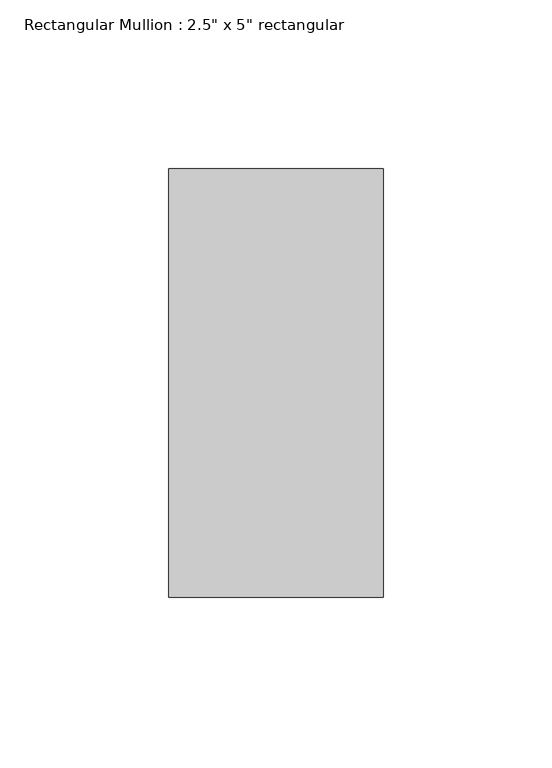
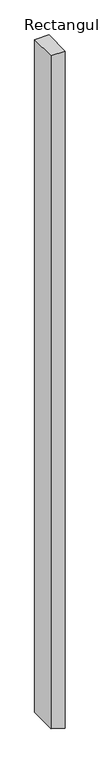
"""IFC4 building model written with IfcOpenShell, lengths in millimetres: member geometry."""

import ifcopenshell
import ifcopenshell.guid

model = None  # the IFC model being written
_history = None  # IfcOwnerHistory: only IFC2X3 demands one
_inside = {}  # id of a spatial element -> (the spatial element, [elements in it])
_under = {}  # id of a project, library or spatial element -> (it, [spatial elements below it])
_declared = {}  # id of a project -> (the project, [libraries it declares])
_typed = {}  # id of a type object -> (the type object, [elements of that type])
_made_of = {}  # id of a material, layer set ... -> (it, [elements and type objects made of it])


def new_model(schema):
    """Start an empty IFC model of exactly this schema.

    Asked for "IFC4X3", IfcOpenShell would pick the latest addendum, in which some entities
    have other attributes; the version numbers below select the first issue.
    IFC2X3 requires an IfcOwnerHistory on every rooted entity: one is made here for all.
    """
    global model, _history
    if schema == "IFC4X3":
        model = ifcopenshell.file(schema_version=(4, 3, 0, 0))
    else:
        model = ifcopenshell.file(schema=schema)
    _inside.clear()
    _under.clear()
    _declared.clear()
    _typed.clear()
    _made_of.clear()
    _history = None
    if model.schema == "IFC2X3":
        org = make("IfcOrganization", Name="unknown")
        user = make(
            "IfcPersonAndOrganization",
            ThePerson=make("IfcPerson", FamilyName="unknown"),
            TheOrganization=org,
        )
        app = make(
            "IfcApplication",
            ApplicationDeveloper=org,
            Version="unknown",
            ApplicationFullName="unknown",
            ApplicationIdentifier="unknown",
        )
        _history = make(
            "IfcOwnerHistory",
            OwningUser=user,
            OwningApplication=app,
            ChangeAction="ADDED",
            CreationDate=0,
        )
    return model


def make(cls, **values):
    """One entity of the class cls with the attributes given. An attribute that is None is left unset."""
    return model.create_entity(
        cls, **{name: value for name, value in values.items() if value is not None}
    )


def rooted(cls, **values):
    """An entity with a GlobalId (a new one), such as an element, a storey or a relation."""
    return make(cls, GlobalId=ifcopenshell.guid.new(), OwnerHistory=_history, **values)


def si_unit(unit_type, name, prefix=None):
    """IfcSIUnit, for example si_unit("LENGTHUNIT", "METRE", prefix="MILLI")."""
    return make("IfcSIUnit", UnitType=unit_type, Prefix=prefix, Name=name)


def assignment(units):
    """IfcUnitAssignment: the units of a project."""
    return None if units is None else make("IfcUnitAssignment", Units=units)


def point(xyz):
    """IfcCartesianPoint."""
    return None if xyz is None else make("IfcCartesianPoint", Coordinates=xyz)


def direction(xyz):
    """IfcDirection."""
    return None if xyz is None else make("IfcDirection", DirectionRatios=xyz)


def frame(location, z_axis=None, x_axis=None):
    """IfcAxis2Placement3D, a coordinate frame: its origin and axes. An axis left out is left unset."""
    return make(
        "IfcAxis2Placement3D",
        Location=point(location),
        Axis=direction(z_axis),
        RefDirection=direction(x_axis),
    )


def origin():
    """The frame at (0, 0, 0) with its axes left unset."""
    return frame((0.0, 0.0, 0.0))


def place(relative_to, where):
    """IfcLocalPlacement: puts the frame where relative to a parent placement (None: the world)."""
    return make(
        "IfcLocalPlacement", PlacementRelTo=relative_to, RelativePlacement=where
    )


def context(
    kind, dimensions, precision=None, world=None, true_north=None, identifier=None
):
    """IfcGeometricRepresentationContext, for example the 3D "Model" context."""
    return make(
        "IfcGeometricRepresentationContext",
        ContextIdentifier=identifier,
        ContextType=kind,
        CoordinateSpaceDimension=dimensions,
        Precision=precision,
        WorldCoordinateSystem=world,
        TrueNorth=true_north,
    )


def project(units=None, contexts=None):
    """IfcProject with its units and contexts."""
    return rooted(
        "IfcProject",
        Name="project",
        RepresentationContexts=contexts,
        UnitsInContext=assignment(units),
    )


def spatial(cls, under=None, at=None, **own):
    """A site, building, storey or space (cls), placed at a placement, below another one or the project."""
    s = rooted(cls, ObjectPlacement=at, **own)
    if under is not None:
        _under.setdefault(under.id(), (under, []))[1].append(s)
    return s


def polyline(points):
    """IfcPolyline through the points."""
    return make("IfcPolyline", Points=[point(p) for p in points])


def outline(outer, holes=None, kind="AREA"):
    """IfcArbitraryClosedProfileDef: a profile drawn as a closed curve; with holes, ...WithVoids."""
    if holes is None:
        return make("IfcArbitraryClosedProfileDef", ProfileType=kind, OuterCurve=outer)
    return make(
        "IfcArbitraryProfileDefWithVoids",
        ProfileType=kind,
        OuterCurve=outer,
        InnerCurves=holes,
    )


def extrude(swept, where, along, depth):
    """IfcExtrudedAreaSolid: the profile swept, set in the frame where, extruded along a direction by depth."""
    return make(
        "IfcExtrudedAreaSolid",
        SweptArea=swept,
        Position=where,
        ExtrudedDirection=direction(along),
        Depth=depth,
    )


def shape(context_of_items, identifier, shape_type, items):
    """IfcShapeRepresentation: the items that make up one representation, for example the "Body"."""
    return make(
        "IfcShapeRepresentation",
        ContextOfItems=context_of_items,
        RepresentationIdentifier=identifier,
        RepresentationType=shape_type,
        Items=items,
    )


def source(mapping_origin, context_of_items, identifier, shape_type, items):
    """IfcRepresentationMap: a shape defined once, which mapped items show again and again."""
    return make(
        "IfcRepresentationMap",
        MappingOrigin=mapping_origin,
        MappedRepresentation=shape(context_of_items, identifier, shape_type, items),
    )


def transform(
    local_origin,
    x_axis=None,
    y_axis=None,
    z_axis=None,
    scale=None,
    scale2=None,
    scale3=None,
    uniform=True,
):
    """IfcCartesianTransformationOperator3D, or its non-uniform kind. x_axis, y_axis, z_axis: its Axis1, 2, 3."""
    if uniform:
        return make(
            "IfcCartesianTransformationOperator3D",
            Axis1=direction(x_axis),
            Axis2=direction(y_axis),
            LocalOrigin=point(local_origin),
            Scale=scale,
            Axis3=direction(z_axis),
        )
    return make(
        "IfcCartesianTransformationOperator3DnonUniform",
        Axis1=direction(x_axis),
        Axis2=direction(y_axis),
        LocalOrigin=point(local_origin),
        Scale=scale,
        Axis3=direction(z_axis),
        Scale2=scale2,
        Scale3=scale3,
    )


def mapped(mapping_source, mapping_target):
    """IfcMappedItem: shows the shape of a source again, moved by a transform."""
    return make(
        "IfcMappedItem", MappingSource=mapping_source, MappingTarget=mapping_target
    )


def made_of(thing, what):
    """Note that an element or type object is made of a material, layer set ...; save() writes the relation."""
    if what is not None:
        _made_of.setdefault(what.id(), (what, []))[1].append(thing)
    return thing


def element(
    cls,
    number,
    at=None,
    inside=None,
    cuts=None,
    type_object=None,
    material=None,
    context=None,
    identifier="Body",
    shape_type=None,
    held_by="IfcProductDefinitionShape",
    body=None,
    shapes=None,
    **own,
):
    """One element of the class cls, such as IfcWall. Its Tag is "e" and its number.

    at: its placement. inside: the storey or other place that contains it. cuts: it is an
    opening in that element (IfcRelVoidsElement). A single representation is given by context,
    identifier, shape_type and body (its items); several are given by shapes. held_by: the class
    of the entity that holds the representations. save() writes the other relations.
    """
    e = rooted(cls, Tag="e%d" % number, ObjectPlacement=at, **own)
    if body is not None:
        shapes = [shape(context, identifier, shape_type, body)]
    if shapes is not None:
        e.Representation = make(held_by, Representations=shapes)
    if inside is not None:
        _inside.setdefault(inside.id(), (inside, []))[1].append(e)
    if cuts is not None:
        rooted(
            "IfcRelVoidsElement", RelatingBuildingElement=cuts, RelatedOpeningElement=e
        )
    if type_object is not None:
        _typed.setdefault(type_object.id(), (type_object, []))[1].append(e)
    return made_of(e, material)


def aggregate(whole, parts):
    """IfcRelAggregates: a whole, such as a stair, and the parts it consists of."""
    return rooted("IfcRelAggregates", RelatingObject=whole, RelatedObjects=parts)


def save(model, path):
    """Write the relations noted so far, then the file.

    IfcRelAggregates (storeys below a building ...), IfcRelContainedInSpatialStructure (elements
    in a storey), IfcRelDefinesByType, IfcRelAssociatesMaterial and IfcRelDeclares: one each for
    every whole, place, type object, material and project.
    """
    for whole, parts in _under.values():
        aggregate(whole, parts)
    for where, things in _inside.values():
        rooted(
            "IfcRelContainedInSpatialStructure",
            RelatedElements=things,
            RelatingStructure=where,
        )
    for kind, things in _typed.values():
        rooted("IfcRelDefinesByType", RelatedObjects=things, RelatingType=kind)
    for what, things in _made_of.values():
        rooted("IfcRelAssociatesMaterial", RelatedObjects=things, RelatingMaterial=what)
    for by, libraries in _declared.values():
        rooted("IfcRelDeclares", RelatingContext=by, RelatedDefinitions=libraries)
    model.write(path)


def member_a4b481f8(model_context):
    return source(origin(), model_context, "Body", "SweptSolid", [
        extrude(outline(polyline([(0.0, 31.75), (0.0, -31.75), (-3194.3316711, -31.75), (-3211.2270401, 19.7828002), (-3215.1505655, 31.75), (0.0, 31.75)])), frame((0.0, -63.5, 0.0), z_axis=(0.0, 1.0, 0.0), x_axis=(0.0, 0.0, 1.0)), (0.0, 0.0, 1.0), 127.0),
    ])


if __name__ == "__main__":
    model = new_model("IFC4")
    model_context = context("Model", 3, world=origin())
    ifc_project = project(units=[si_unit("LENGTHUNIT", "METRE", prefix="MILLI")], contexts=[model_context])
    site = spatial("IfcSite", under=ifc_project)
    building = spatial("IfcBuilding", under=site)
    placement = place(None, origin())
    member_shape = member_a4b481f8(model_context)
    element("IfcMember", 1, ObjectType="Rectangular Mullion : 2.5\" x 5\" rectangular", at=placement, inside=building, context=model_context, shape_type="MappedRepresentation", body=[
        mapped(member_shape, transform((0.0, 0.0, 0.0), x_axis=(1.0, 0.0, 0.0), y_axis=(0.0, 1.0, 0.0), z_axis=(0.0, 0.0, 1.0))),
    ])
    save(model, "model.ifc")
